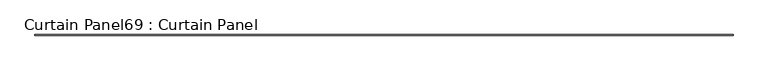
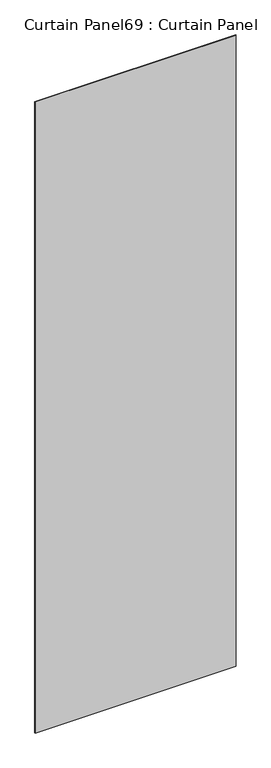
"""IFC4 building model written with IfcOpenShell, lengths in millimetres: plate geometry, Curtain Panel69 : Curtain Panel."""

from ifc_helpers import new_model, si_unit, frame, origin, place, context, project, spatial, polyline, outline, extrude, source, transform, mapped, element, save


def curtain_panel69_curtain_panel_f0ab8c41(model_context):
    return source(origin(), model_context, "Body", "SweptSolid", [
        extrude(outline(polyline([(123204.2235549, 8038.1084949), (118464.4917433, 8038.1084949), (118464.4917433, 8044.4584949), (123204.2235549, 8044.4584949), (123204.2235549, 8038.1084949)])), frame((0.0, 0.0, 1433.7679301), z_axis=(0.0, 0.0, 1.0), x_axis=(1.0, 0.0, 0.0)), (0.0, 0.0, 1.0), 15711.5380959),
    ])


if __name__ == "__main__":
    model = new_model("IFC4")
    model_context = context("Model", 3, world=origin())
    ifc_project = project(units=[si_unit("LENGTHUNIT", "METRE", prefix="MILLI")], contexts=[model_context])
    site = spatial("IfcSite", under=ifc_project)
    building = spatial("IfcBuilding", under=site)
    placement = place(None, origin())
    curtain_panel69_curtain_panel_shape = curtain_panel69_curtain_panel_f0ab8c41(model_context)
    element("IfcPlate", 1, ObjectType="Curtain Panel69 : Curtain Panel", at=placement, inside=building, context=model_context, shape_type="MappedRepresentation", body=[
        mapped(curtain_panel69_curtain_panel_shape, transform((0.0, 0.0, 0.0), x_axis=(1.0, 0.0, 0.0), y_axis=(0.0, 1.0, 0.0), z_axis=(0.0, 0.0, 1.0))),
    ])
    save(model, "model.ifc")
